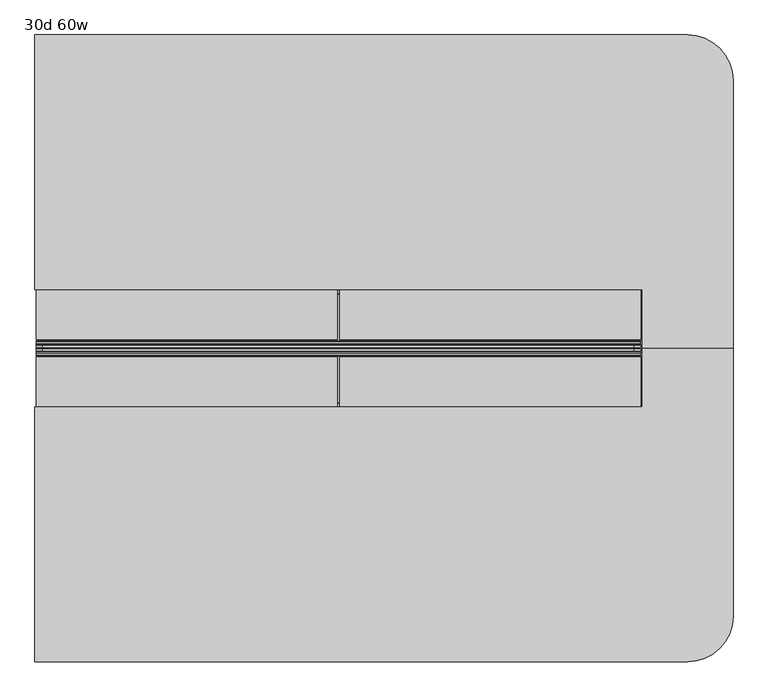
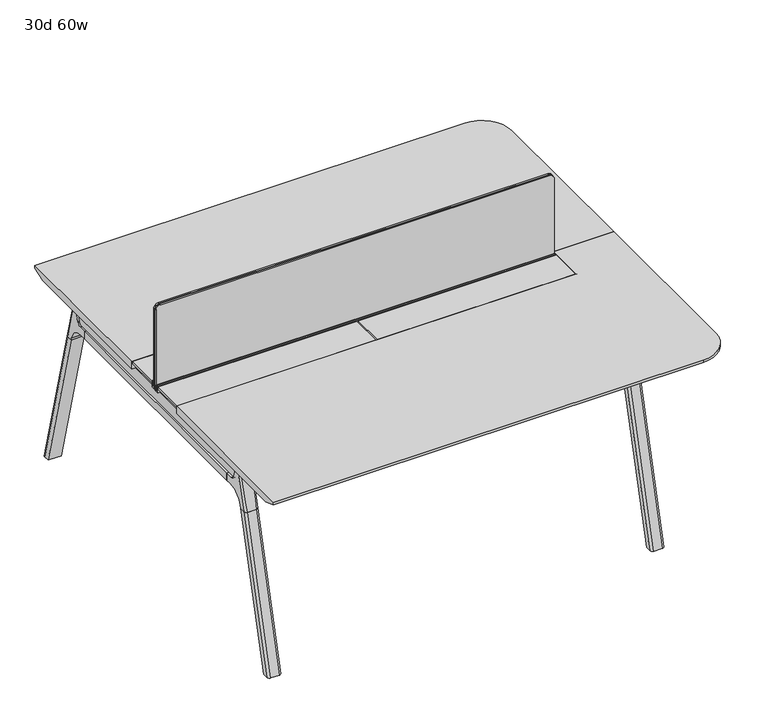
"""IFC4 building model written with IfcOpenShell, lengths in millimetres: furniture geometry, 30d 60w."""

from ifc_helpers import new_model, si_unit, point, frame, frame_2d, origin, place, context, project, spatial, polyline, circle_curve, ellipse_curve, trimmed, segment, composite_curve, outline, extrude, source, transform, mapped, element, save
from ifc_brep_helpers import plane_surface, cylinder_surface, revolved_surface, advanced_brep


def furniture_30d_60w_cb071300(model_context):
    return source(origin(), model_context, "Body", "SolidModel", [
        extrude(outline(polyline([(-18.0090763, 706.4375), (3.7767266, 706.4375), (3.7767266, 705.2310087), (-17.4495292, 705.2310087), (-19.0070753, 703.6734626), (-49.1186716, 567.0903512), (-50.5285062, 567.4011683), (-20.404074, 704.0425023), (-18.0090763, 706.4375)])), frame((-317.5, 0.0, 0.0), z_axis=(1.0, 0.0, 0.0), x_axis=(0.0, 1.0, 0.0)), (0.0, 0.0, 1.0), 31.8008024),
        extrude(outline(polyline([(-381.4978768, 706.4375), (-379.1028791, 704.0425023), (-348.9784469, 567.4011683), (-350.3882815, 567.0903512), (-380.4998778, 703.6734626), (-382.0574239, 705.2310087), (-403.2836797, 705.2310087), (-403.2836797, 706.4375), (-381.4978768, 706.4375)])), frame((-317.5, 0.0, 0.0), z_axis=(1.0, 0.0, 0.0), x_axis=(0.0, 1.0, 0.0)), (0.0, 0.0, 1.0), 31.8008024),
        extrude(outline(polyline([(-18.0090763, 706.4375), (3.7767266, 706.4375), (3.7767266, 705.2310087), (-17.4495292, 705.2310087), (-19.0070753, 703.6734626), (-49.1186716, 567.0903512), (-50.5285062, 567.4011683), (-20.404074, 704.0425023), (-18.0090763, 706.4375)])), frame((717.4991976, 0.0, 0.0), z_axis=(1.0, 0.0, 0.0), x_axis=(0.0, 1.0, 0.0)), (0.0, 0.0, 1.0), 31.8008024),
        extrude(outline(polyline([(-381.4978768, 706.4375), (-379.1028791, 704.0425023), (-348.9784469, 567.4011683), (-350.3882815, 567.0903512), (-380.4998778, 703.6734626), (-382.0574239, 705.2310087), (-403.2836797, 705.2310087), (-403.2836797, 706.4375), (-381.4978768, 706.4375)])), frame((717.4991976, 0.0, 0.0), z_axis=(1.0, 0.0, 0.0), x_axis=(0.0, 1.0, 0.0)), (0.0, 0.0, 1.0), 31.8008024),
        extrude(outline(polyline([(-353.550475, 565.5309966), (-351.518477, 567.5629947), (-350.957211, 567.0017287), (-352.756725, 565.2022146), (-352.756725, 557.3042827), (-352.5317745, 556.4647622), (-337.4390802, 530.3234395), (-336.0037101, 529.4947272), (-63.503243, 529.4947272), (-62.0678729, 530.3234395), (-46.9751786, 556.4647622), (-46.7502281, 557.3042827), (-46.7502281, 565.2022146), (-48.5497421, 567.0017287), (-47.9884761, 567.5629947), (-45.9564781, 565.5309966), (-45.9564781, 557.1997828), (-46.2355217, 556.1583856), (-61.4868074, 529.7423744), (-63.2905581, 528.7009772), (-336.216395, 528.7009772), (-338.0201457, 529.7423744), (-353.2714314, 556.1583856), (-353.550475, 557.1997828), (-353.550475, 565.5309966)])), frame((-317.4492037, 0.0, 0.0), z_axis=(1.0, 0.0, 0.0), x_axis=(0.0, 1.0, 0.0)), (0.0, 0.0, 1.0), 1066.7492037),
        extrude(outline(composite_curve([segment(polyline([(330.4715234, 711.2), (321.4134226, 677.3947076)]), True, "CONTINUOUS"), segment(trimmed(circle_curve(frame_2d((306.0793501, 681.5034599)), 15.875), [point((321.4134226, 677.3947076))], [point((306.0793501, 665.6284599))], False, "CARTESIAN"), True, "CONTINUOUS"), segment(polyline([(306.0793501, 665.6284599), (-705.5863033, 665.6284599)]), True, "CONTINUOUS"), segment(trimmed(circle_curve(frame_2d((-705.5863033, 681.5034599)), 15.875), [point((-705.5863033, 665.6284599))], [point((-720.9203758, 677.3947076))], False, "CARTESIAN"), True, "CONTINUOUS"), segment(polyline([(-720.9203758, 677.3947076), (-729.9784766, 711.2), (330.4715234, 711.2)]), True, "CONTINUOUS")], self_intersect=False)), frame((-533.4, 0.0, 0.0), z_axis=(1.0, 0.0, 0.0), x_axis=(0.0, 1.0, 0.0)), (0.0, 0.0, 1.0), 38.1),
        extrude(outline(polyline([(-488.95, 270.1465234), (-488.95, -669.6534766), (-539.75, -669.6534766), (-539.75, 270.1465234), (-488.95, 270.1465234)])), frame((0.0, 0.0, 635.6476591), z_axis=(0.0, 0.0, 1.0), x_axis=(1.0, 0.0, 0.0)), (0.0, 0.0, 1.0), 29.9808008),
        advanced_brep(
        [(-488.95, 324.1678522, 711.2), (-488.95, 315.1097514, 677.3947076), (-488.95, 299.7756789, 665.6284599), (-488.95, 270.1465234, 665.6284599), (-488.95, 270.1465234, 635.6476591), (-488.95, 293.0177557, 635.6476591), (-488.95, 357.4208601, 586.2294189), (-488.95, 359.9790723, 576.6820411), (-488.95, 381.0830422, 576.6820411), (-488.95, 345.6343986, 711.2), (-539.75, 359.9790723, 576.6820411), (-539.75, 357.4208601, 586.2294189), (-539.75, 293.0177557, 635.6476591), (-539.75, 270.1465234, 635.6476591), (-539.75, 270.1465234, 665.6284599), (-539.75, 299.7756789, 665.6284599), (-539.75, 315.1097514, 677.3947076), (-539.75, 324.1678522, 711.2), (-539.75, 345.6343986, 711.2), (-539.75, 381.0830422, 576.6820411), (-495.2138162, 354.8892431, 711.2), (-533.4861838, 354.8892431, 711.2), (-530.225, 390.9332216, 576.6820411), (-498.475, 390.9332216, 576.6820411)],
        [
            (0, 1),
            (1, 2, circle_curve(frame((-488.95, 299.7756789, 681.5034599), z_axis=(-1.0, 0.0, 0.0), x_axis=(0.0, 1.0, 0.0)), 15.875)),
            (2, 3),
            (3, 4),
            (4, 5),
            (5, 6, circle_curve(frame((-488.95, 293.0177557, 568.9726591), z_axis=(-1.0, 0.0, 0.0), x_axis=(0.0, 1.0, 0.0)), 66.675)),
            (6, 7),
            (7, 8),
            (8, 9),
            (9, 0),
            (10, 11),
            (11, 12, circle_curve(frame((-539.75, 293.0177557, 568.9726591), z_axis=(1.0, 0.0, 0.0), x_axis=(0.0, 1.0, 0.0)), 66.675)),
            (12, 13),
            (13, 14),
            (14, 15),
            (15, 16, circle_curve(frame((-539.75, 299.7756789, 681.5034599), z_axis=(1.0, 0.0, 0.0), x_axis=(0.0, 1.0, 0.0)), 15.875)),
            (16, 17),
            (17, 18),
            (18, 19),
            (19, 10),
            (17, 0),
            (9, 20, ellipse_curve(frame((-498.475, 345.6343986, 711.2), z_axis=(0.0, 0.0, 1.0), x_axis=(0.0, 1.0, 0.0)), 9.8501793, 9.525)),
            (20, 21),
            (21, 18, ellipse_curve(frame((-530.225, 345.6343986, 711.2), z_axis=(0.0, 0.0, 1.0), x_axis=(0.0, 1.0, 0.0)), 9.8501793, 9.525)),
            (16, 1),
            (15, 2),
            (14, 3),
            (13, 4),
            (12, 5),
            (11, 6),
            (10, 7),
            (19, 22, ellipse_curve(frame((-530.225, 381.0830422, 576.6820411), z_axis=(0.0, 0.0, -1.0), x_axis=(0.0, 1.0, 0.0)), 9.8501793, 9.525)),
            (22, 23),
            (23, 8, ellipse_curve(frame((-498.475, 381.0830422, 576.6820411), z_axis=(0.0, 0.0, -1.0), x_axis=(0.0, 1.0, 0.0)), 9.8501793, 9.525)),
            (20, 23, ellipse_curve(frame((-498.475, -205.4364925, 2802.3641142), z_axis=(0.0, 0.9659258262890684, 0.2588190451025206), x_axis=(0.0, 0.2588190451025206, -0.9659258262890684)), 2304.1956354, 9.525)),
            (22, 21, ellipse_curve(frame((-530.225, -205.4364925, 2802.3641142), z_axis=(0.0, 0.9659258262890684, 0.2588190451025206), x_axis=(0.0, 0.2588190451025206, -0.9659258262890684)), 2304.1956354, 9.525)),
        ],
        [
            plane_surface(frame((-488.95, 354.8892431, 711.2), z_axis=(1.0, 0.0, 0.0), x_axis=(0.0, -1.0, 0.0))),
            plane_surface(frame((-539.75, 354.8892431, 711.2), z_axis=(-1.0, 0.0, 0.0), x_axis=(0.0, 1.0, 0.0))),
            plane_surface(frame((-488.95, 354.8892431, 711.2), z_axis=(0.0, 0.0, 1.0), x_axis=(-1.0, 0.0, 0.0))),
            plane_surface(frame((-488.95, 324.1678522, 711.2), z_axis=(0.0, -0.9659258262890683, 0.2588190451025207), x_axis=(-1.0, 0.0, 0.0))),
            revolved_surface(polyline([(-539.75, 315.6506789, 681.5034599), (-488.95, 315.6506789, 681.5034599)]), (-539.75, 299.7756789, 681.5034599), (-1.0, 0.0, 0.0)),
            plane_surface(frame((-488.95, 299.7756789, 665.6284599), z_axis=(0.0, 0.0, 1.0), x_axis=(-1.0, 0.0, 0.0))),
            plane_surface(frame((-488.95, 270.1465234, 665.6284599), z_axis=(0.0, -1.0, 0.0), x_axis=(-1.0, 0.0, 0.0))),
            plane_surface(frame((-488.95, 270.1465234, 635.6476591), z_axis=(0.0, 0.0, -1.0), x_axis=(-1.0, 0.0, 0.0))),
            revolved_surface(polyline([(-539.75, 359.6927557, 568.9726591), (-488.95, 359.6927557, 568.9726591)]), (-539.75, 293.0177557, 568.9726591), (-1.0, 0.0, 0.0)),
            plane_surface(frame((-488.95, 357.4208601, 586.2294189), z_axis=(0.0, -0.9659258262890693, -0.25881904510251696), x_axis=(-1.0, 0.0, 0.0))),
            plane_surface(frame((-488.95, 359.9790723, 576.6820411), z_axis=(0.0, 0.0, -1.0), x_axis=(-1.0, 0.0, 0.0))),
            plane_surface(frame((-488.95, 390.9332216, 576.6820411), z_axis=(0.0, 0.9659258262890684, 0.2588190451025206), x_axis=(-1.0, 0.0, 0.0))),
            cylinder_surface(frame((-498.475, 533.6919371, -2.4271979), z_axis=(0.0, 0.25482392474081483, -0.966987470125486), x_axis=(-1.0, 0.0, 0.0)), 9.525),
            cylinder_surface(frame((-530.225, 533.6919371, -2.4271979), z_axis=(0.0, 0.25482392474081483, -0.966987470125486), x_axis=(-1.0, 0.0, 0.0)), 9.525),
        ],
        [
            (0, [[1, 2, 3, 4, 5, 6, 7, 8, 9, 10]]),
            (1, [[11, 12, 13, 14, 15, 16, 17, 18, 19, 20]]),
            (2, [[21, -10, 22, 23, 24, -18]]),
            (3, [[-1, -21, -17, 25]]),
            (4, [[-2, -25, -16, 26]]),
            (5, [[-3, -26, -15, 27]]),
            (6, [[-4, -27, -14, 28]]),
            (7, [[-5, -28, -13, 29]]),
            (8, [[-6, -29, -12, 30]]),
            (9, [[-7, -30, -11, 31]]),
            (10, [[-31, -20, 32, 33, 34, -8]]),
            (11, [[-23, 35, -33, 36]]),
            (12, [[-9, -34, -35, -22]]),
            (13, [[-19, -24, -36, -32]]),
        ],
    ),
        advanced_brep(
        [(-488.95, 359.9790723, 576.6820411), (-488.95, 511.9483435, 0.0), (-488.95, 533.0523134, 0.0), (-488.95, 381.0830422, 576.6820411), (-539.75, 511.9483435, 0.0), (-539.75, 359.9790723, 576.6820411), (-539.75, 381.0830422, 576.6820411), (-539.75, 533.0523134, 0.0), (-498.475, 390.9332216, 576.6820411), (-530.225, 390.9332216, 576.6820411), (-530.225, 542.9024927, 0.0), (-498.475, 542.9024927, 0.0)],
        [
            (0, 1),
            (1, 2),
            (2, 3),
            (3, 0),
            (4, 5),
            (5, 6),
            (6, 7),
            (7, 4),
            (5, 0),
            (3, 8, ellipse_curve(frame((-498.475, 381.0830422, 576.6820411), z_axis=(0.0, 0.0, 1.0), x_axis=(0.0, 1.0, 0.0)), 9.8501793, 9.525)),
            (8, 9),
            (9, 6, ellipse_curve(frame((-530.225, 381.0830422, 576.6820411), z_axis=(0.0, 0.0, 1.0), x_axis=(0.0, 1.0, 0.0)), 9.8501793, 9.525)),
            (4, 1),
            (7, 10, ellipse_curve(frame((-530.225, 533.0523134, 0.0), z_axis=(0.0, 0.0, -1.0), x_axis=(0.0, 1.0, 0.0)), 9.8501793, 9.525)),
            (10, 11),
            (11, 2, ellipse_curve(frame((-498.475, 533.0523134, 0.0), z_axis=(0.0, 0.0, -1.0), x_axis=(0.0, 1.0, 0.0)), 9.8501793, 9.525)),
            (8, 11),
            (10, 9),
        ],
        [
            plane_surface(frame((-488.95, 390.9332216, 576.6820411), z_axis=(1.0, 0.0, 0.0), x_axis=(0.0, -1.0, 0.0))),
            plane_surface(frame((-539.75, 390.9332216, 576.6820411), z_axis=(-1.0, 0.0, 0.0), x_axis=(0.0, 1.0, 0.0))),
            plane_surface(frame((-488.95, 390.9332216, 576.6820411), z_axis=(0.0, 0.0, 1.0), x_axis=(-1.0, 0.0, 0.0))),
            plane_surface(frame((-488.95, 359.9790723, 576.6820411), z_axis=(0.0, -0.9669874701254844, -0.2548239247408208), x_axis=(-1.0, 0.0, 0.0))),
            plane_surface(frame((-488.95, 511.9483435, 0.0), z_axis=(0.0, 0.0, -1.0), x_axis=(-1.0, 0.0, 0.0))),
            plane_surface(frame((-488.95, 542.9024927, 0.0), z_axis=(0.0, 0.9669874701254855, 0.2548239247408166), x_axis=(-1.0, 0.0, 0.0))),
            cylinder_surface(frame((-498.475, 533.6919371, -2.4271979), z_axis=(0.0, 0.25482392474081483, -0.966987470125486), x_axis=(-1.0, 0.0, 0.0)), 9.525),
            cylinder_surface(frame((-530.225, 533.6919371, -2.4271979), z_axis=(0.0, 0.25482392474081483, -0.966987470125486), x_axis=(-1.0, 0.0, 0.0)), 9.525),
        ],
        [
            (0, [[1, 2, 3, 4]]),
            (1, [[5, 6, 7, 8]]),
            (2, [[9, -4, 10, 11, 12, -6]]),
            (3, [[-1, -9, -5, 13]]),
            (4, [[-13, -8, 14, 15, 16, -2]]),
            (5, [[-11, 17, -15, 18]]),
            (6, [[-3, -16, -17, -10]]),
            (7, [[-7, -12, -18, -14]]),
        ],
    ),
        advanced_brep(
        [(-539.75, -723.6748053, 711.2), (-539.75, -714.6167045, 677.3947076), (-539.75, -699.282632, 665.6284599), (-539.75, -669.6534766, 665.6284599), (-539.75, -669.6534766, 635.6476591), (-539.75, -692.5247088, 635.6476591), (-539.75, -756.9278133, 586.2294189), (-539.75, -759.4860254, 576.6820411), (-539.75, -780.5899953, 576.6820411), (-539.75, -745.1413517, 711.2), (-488.95, -759.4860254, 576.6820411), (-488.95, -756.9278133, 586.2294189), (-488.95, -692.5247088, 635.6476591), (-488.95, -669.6534766, 635.6476591), (-488.95, -669.6534766, 665.6284599), (-488.95, -699.282632, 665.6284599), (-488.95, -714.6167045, 677.3947076), (-488.95, -723.6748053, 711.2), (-488.95, -745.1413517, 711.2), (-488.95, -780.5899953, 576.6820411), (-533.4861838, -754.3961962, 711.2), (-495.2138162, -754.3961962, 711.2), (-498.475, -790.4401747, 576.6820411), (-530.225, -790.4401747, 576.6820411)],
        [
            (0, 1),
            (1, 2, circle_curve(frame((-539.75, -699.282632, 681.5034599), z_axis=(1.0, 0.0, 0.0), x_axis=(0.0, -1.0, 0.0)), 15.875)),
            (2, 3),
            (3, 4),
            (4, 5),
            (5, 6, circle_curve(frame((-539.75, -692.5247088, 568.9726591), z_axis=(1.0, 0.0, 0.0), x_axis=(0.0, -1.0, 0.0)), 66.675)),
            (6, 7),
            (7, 8),
            (8, 9),
            (9, 0),
            (10, 11),
            (11, 12, circle_curve(frame((-488.95, -692.5247088, 568.9726591), z_axis=(-1.0, 0.0, 0.0), x_axis=(0.0, -1.0, 0.0)), 66.675)),
            (12, 13),
            (13, 14),
            (14, 15),
            (15, 16, circle_curve(frame((-488.95, -699.282632, 681.5034599), z_axis=(-1.0, 0.0, 0.0), x_axis=(0.0, -1.0, 0.0)), 15.875)),
            (16, 17),
            (17, 18),
            (18, 19),
            (19, 10),
            (17, 0),
            (9, 20, ellipse_curve(frame((-530.225, -745.1413517, 711.2), z_axis=(0.0, 0.0, 1.0), x_axis=(0.0, -1.0, 0.0)), 9.8501793, 9.525)),
            (20, 21),
            (21, 18, ellipse_curve(frame((-498.475, -745.1413517, 711.2), z_axis=(0.0, 0.0, 1.0), x_axis=(0.0, -1.0, 0.0)), 9.8501793, 9.525)),
            (16, 1),
            (15, 2),
            (14, 3),
            (13, 4),
            (12, 5),
            (11, 6),
            (10, 7),
            (19, 22, ellipse_curve(frame((-498.475, -780.5899953, 576.6820411), z_axis=(0.0, 0.0, -1.0), x_axis=(0.0, -1.0, 0.0)), 9.8501793, 9.525)),
            (22, 23),
            (23, 8, ellipse_curve(frame((-530.225, -780.5899953, 576.6820411), z_axis=(0.0, 0.0, -1.0), x_axis=(0.0, -1.0, 0.0)), 9.8501793, 9.525)),
            (20, 23, ellipse_curve(frame((-530.225, -194.0704606, 2802.3641142), z_axis=(0.0, -0.9659258262890684, 0.2588190451025206), x_axis=(0.0, -0.2588190451025206, -0.9659258262890684)), 2304.1956354, 9.525)),
            (22, 21, ellipse_curve(frame((-498.475, -194.0704606, 2802.3641142), z_axis=(0.0, -0.9659258262890684, 0.2588190451025206), x_axis=(0.0, -0.2588190451025206, -0.9659258262890684)), 2304.1956354, 9.525)),
        ],
        [
            plane_surface(frame((-539.75, -754.3961962, 711.2), z_axis=(-1.0, 0.0, 0.0), x_axis=(0.0, 1.0, 0.0))),
            plane_surface(frame((-488.95, -754.3961962, 711.2), z_axis=(1.0, 0.0, 0.0), x_axis=(0.0, -1.0, 0.0))),
            plane_surface(frame((-539.75, -754.3961962, 711.2), z_axis=(0.0, 0.0, 1.0), x_axis=(1.0, 0.0, 0.0))),
            plane_surface(frame((-539.75, -723.6748053, 711.2), z_axis=(0.0, 0.9659258262890683, 0.2588190451025207), x_axis=(1.0, 0.0, 0.0))),
            revolved_surface(polyline([(-488.95, -715.157632, 681.5034599), (-539.75, -715.157632, 681.5034599)]), (-488.95, -699.282632, 681.5034599), (1.0, 0.0, 0.0)),
            plane_surface(frame((-539.75, -699.282632, 665.6284599), z_axis=(0.0, 0.0, 1.0), x_axis=(1.0, 0.0, 0.0))),
            plane_surface(frame((-539.75, -669.6534766, 665.6284599), z_axis=(0.0, 1.0, 0.0), x_axis=(1.0, 0.0, 0.0))),
            plane_surface(frame((-539.75, -669.6534766, 635.6476591), z_axis=(0.0, 0.0, -1.0), x_axis=(1.0, 0.0, 0.0))),
            revolved_surface(polyline([(-488.95, -759.1997087999999, 568.9726591), (-539.75, -759.1997087999999, 568.9726591)]), (-488.95, -692.5247088, 568.9726591), (1.0, 0.0, 0.0)),
            plane_surface(frame((-539.75, -756.9278133, 586.2294189), z_axis=(0.0, 0.9659258262890693, -0.25881904510251696), x_axis=(1.0, 0.0, 0.0))),
            plane_surface(frame((-539.75, -759.4860254, 576.6820411), z_axis=(0.0, 0.0, -1.0), x_axis=(1.0, 0.0, 0.0))),
            plane_surface(frame((-539.75, -790.4401747, 576.6820411), z_axis=(0.0, -0.9659258262890684, 0.2588190451025206), x_axis=(1.0, 0.0, 0.0))),
            cylinder_surface(frame((-530.225, -933.1988902, -2.4271979), z_axis=(0.0, -0.25482392474081483, -0.966987470125486), x_axis=(1.0, 0.0, 0.0)), 9.525),
            cylinder_surface(frame((-498.475, -933.1988902, -2.4271979), z_axis=(0.0, -0.25482392474081483, -0.966987470125486), x_axis=(1.0, 0.0, 0.0)), 9.525),
        ],
        [
            (0, [[1, 2, 3, 4, 5, 6, 7, 8, 9, 10]]),
            (1, [[11, 12, 13, 14, 15, 16, 17, 18, 19, 20]]),
            (2, [[21, -10, 22, 23, 24, -18]]),
            (3, [[-1, -21, -17, 25]]),
            (4, [[-2, -25, -16, 26]]),
            (5, [[-3, -26, -15, 27]]),
            (6, [[-4, -27, -14, 28]]),
            (7, [[-5, -28, -13, 29]]),
            (8, [[-6, -29, -12, 30]]),
            (9, [[-7, -30, -11, 31]]),
            (10, [[-31, -20, 32, 33, 34, -8]]),
            (11, [[-23, 35, -33, 36]]),
            (12, [[-9, -34, -35, -22]]),
            (13, [[-19, -24, -36, -32]]),
        ],
    ),
        advanced_brep(
        [(-539.75, -759.4860254, 576.6820411), (-539.75, -911.4552966, 0.0), (-539.75, -932.5592665, 0.0), (-539.75, -780.5899953, 576.6820411), (-488.95, -911.4552966, 0.0), (-488.95, -759.4860254, 576.6820411), (-488.95, -780.5899953, 576.6820411), (-488.95, -932.5592665, 0.0), (-530.225, -790.4401747, 576.6820411), (-498.475, -790.4401747, 576.6820411), (-498.475, -942.4094458, 0.0), (-530.225, -942.4094458, 0.0)],
        [
            (0, 1),
            (1, 2),
            (2, 3),
            (3, 0),
            (4, 5),
            (5, 6),
            (6, 7),
            (7, 4),
            (5, 0),
            (3, 8, ellipse_curve(frame((-530.225, -780.5899953, 576.6820411), z_axis=(0.0, 0.0, 1.0), x_axis=(0.0, -1.0, 0.0)), 9.8501793, 9.525)),
            (8, 9),
            (9, 6, ellipse_curve(frame((-498.475, -780.5899953, 576.6820411), z_axis=(0.0, 0.0, 1.0), x_axis=(0.0, -1.0, 0.0)), 9.8501793, 9.525)),
            (4, 1),
            (7, 10, ellipse_curve(frame((-498.475, -932.5592665, 0.0), z_axis=(0.0, 0.0, -1.0), x_axis=(0.0, -1.0, 0.0)), 9.8501793, 9.525)),
            (10, 11),
            (11, 2, ellipse_curve(frame((-530.225, -932.5592665, 0.0), z_axis=(0.0, 0.0, -1.0), x_axis=(0.0, -1.0, 0.0)), 9.8501793, 9.525)),
            (8, 11),
            (10, 9),
        ],
        [
            plane_surface(frame((-539.75, -790.4401747, 576.6820411), z_axis=(-1.0, 0.0, 0.0), x_axis=(0.0, 1.0, 0.0))),
            plane_surface(frame((-488.95, -790.4401747, 576.6820411), z_axis=(1.0, 0.0, 0.0), x_axis=(0.0, -1.0, 0.0))),
            plane_surface(frame((-539.75, -790.4401747, 576.6820411), z_axis=(0.0, 0.0, 1.0), x_axis=(1.0, 0.0, 0.0))),
            plane_surface(frame((-539.75, -759.4860254, 576.6820411), z_axis=(0.0, 0.9669874701254844, -0.2548239247408208), x_axis=(1.0, 0.0, 0.0))),
            plane_surface(frame((-539.75, -911.4552966, 0.0), z_axis=(0.0, 0.0, -1.0), x_axis=(1.0, 0.0, 0.0))),
            plane_surface(frame((-539.75, -942.4094458, 0.0), z_axis=(0.0, -0.9669874701254855, 0.2548239247408166), x_axis=(1.0, 0.0, 0.0))),
            cylinder_surface(frame((-530.225, -933.1988902, -2.4271979), z_axis=(0.0, -0.25482392474081483, -0.966987470125486), x_axis=(1.0, 0.0, 0.0)), 9.525),
            cylinder_surface(frame((-498.475, -933.1988902, -2.4271979), z_axis=(0.0, -0.25482392474081483, -0.966987470125486), x_axis=(1.0, 0.0, 0.0)), 9.525),
        ],
        [
            (0, [[1, 2, 3, 4]]),
            (1, [[5, 6, 7, 8]]),
            (2, [[9, -4, 10, 11, 12, -6]]),
            (3, [[-1, -9, -5, 13]]),
            (4, [[-13, -8, 14, 15, 16, -2]]),
            (5, [[-11, 17, -15, 18]]),
            (6, [[-3, -16, -17, -10]]),
            (7, [[-7, -12, -18, -14]]),
        ],
    ),
        advanced_brep(
        [(977.9, -347.3909766, 741.3625), (-546.1, -347.3909766, 741.3625), (-546.1, -987.1534766, 741.3625), (1092.2, -987.1534766, 741.3625), (1206.5, -872.8534766, 741.3625), (1206.5, -199.7534766, 741.3625), (977.9, -199.7534766, 741.3625), (977.9, -347.3909766, 711.2), (977.9, -199.7534766, 711.2), (1155.7, -199.7534766, 711.2), (1155.7, -872.8534766, 711.2), (1092.2, -936.3534766, 711.2), (-546.1, -936.3534766, 711.2), (-546.1, -347.3909766, 711.2), (-546.1, -987.1534766, 731.8375), (1092.2, -987.1534766, 731.8375), (1206.5, -872.8534766, 731.8375), (1206.5, -199.7534766, 731.8375)],
        [
            (0, 1),
            (1, 2),
            (2, 3),
            (3, 4, circle_curve(frame((1092.2, -872.8534766, 741.3625), z_axis=(0.0, 0.0, 1.0), x_axis=(1.0, 0.0, 0.0)), 114.3)),
            (4, 5),
            (5, 6),
            (6, 0),
            (7, 8),
            (8, 9),
            (9, 10),
            (10, 11, circle_curve(frame((1092.2, -872.8534766, 711.2), z_axis=(0.0, 0.0, -1.0), x_axis=(0.0, -1.0, 0.0)), 63.5)),
            (11, 12),
            (12, 13),
            (13, 7),
            (0, 7),
            (13, 1),
            (12, 14),
            (14, 2),
            (14, 15),
            (15, 3),
            (4, 16),
            (16, 17),
            (17, 5),
            (15, 16, circle_curve(frame((1092.2, -872.8534766, 731.8375), z_axis=(0.0, 0.0, 1.0), x_axis=(1.0, 0.0, 0.0)), 114.3)),
            (17, 9),
            (8, 6),
            (11, 15),
            (10, 16),
        ],
        [
            plane_surface(frame((-546.1, -347.3909766, 741.3625), z_axis=(0.0, 0.0, 1.0), x_axis=(-1.0, 0.0, 0.0))),
            plane_surface(frame((-546.1, -347.3909766, 711.2), z_axis=(0.0, 0.0, -1.0), x_axis=(1.0, 0.0, 0.0))),
            plane_surface(frame((977.9, -347.3909766, 741.3625), z_axis=(0.0, 1.0, 0.0), x_axis=(0.0, 0.0, -1.0))),
            plane_surface(frame((-546.1, -347.3909766, 741.3625), z_axis=(-1.0, 0.0, 0.0), x_axis=(0.0, 0.0, -1.0))),
            plane_surface(frame((-546.1, -987.1534766, 741.3625), z_axis=(0.0, -1.0, 0.0), x_axis=(0.0, 0.0, -1.0))),
            plane_surface(frame((1206.5, -872.8534766, 741.3625), z_axis=(1.0, 0.0, 0.0), x_axis=(0.0, 0.0, -1.0))),
            cylinder_surface(frame((1092.2, -872.8534766, 711.2), z_axis=(0.0, 0.0, 1.0), x_axis=(1.0, 0.0, 0.0)), 114.3),
            plane_surface(frame((1206.5, -199.7534766, 741.3625), z_axis=(0.0, 1.0, 0.0), x_axis=(0.0, 0.0, -1.0))),
            plane_surface(frame((977.9, -199.7534766, 741.3625), z_axis=(-1.0, 0.0, 0.0), x_axis=(0.0, 0.0, -1.0))),
            plane_surface(frame((-546.1, -987.1534766, 731.8375), z_axis=(0.0, -0.3763770469570871, -0.9264665771218423), x_axis=(1.0, 0.0, 0.0))),
            revolved_surface(polyline([(1092.2, -936.3534766, 711.2), (1092.2, -987.1534766, 731.8375)]), (1092.2, -872.8534766, 711.2), (0.0, 0.0, 1.0)),
            plane_surface(frame((1206.5, -872.8534766, 731.8375), z_axis=(0.3763770469570871, 0.0, -0.9264665771218423), x_axis=(0.0, 1.0, 0.0))),
        ],
        [
            (0, [[1, 2, 3, 4, 5, 6, 7]]),
            (1, [[8, 9, 10, 11, 12, 13, 14]]),
            (2, [[-1, 15, -14, 16]]),
            (3, [[-2, -16, -13, 17, 18]]),
            (4, [[-3, -18, 19, 20]]),
            (5, [[-5, 21, 22, 23]]),
            (6, [[-4, -20, 24, -21]]),
            (7, [[-6, -23, 25, -9, 26]]),
            (8, [[-7, -26, -8, -15]]),
            (9, [[27, -19, -17, -12]]),
            (10, [[-27, -11, 28, -24]]),
            (11, [[-28, -10, -25, -22]]),
        ],
    ),
        advanced_brep(
        [(977.9, -52.1159766, 741.3625), (977.9, -199.7534766, 741.3625), (1206.5, -199.7534766, 741.3625), (1206.5, 473.3465234, 741.3625), (1092.2, 587.6465234, 741.3625), (-546.1, 587.6465234, 741.3625), (-546.1, -52.1159766, 741.3625), (977.9, -52.1159766, 711.2), (-546.1, -52.1159766, 711.2), (-546.1, 536.8465234, 711.2), (1092.2, 536.8465234, 711.2), (1155.7, 473.3465234, 711.2), (1155.7, -199.7534766, 711.2), (977.9, -199.7534766, 711.2), (-546.1, 587.6465234, 731.8375), (1092.2, 587.6465234, 731.8375), (1206.5, -199.7534766, 731.8375), (1206.5, 473.3465234, 731.8375)],
        [
            (0, 1),
            (1, 2),
            (2, 3),
            (3, 4, circle_curve(frame((1092.2, 473.3465234, 741.3625), z_axis=(0.0, 0.0, 1.0), x_axis=(1.0, 0.0, 0.0)), 114.3)),
            (4, 5),
            (5, 6),
            (6, 0),
            (7, 8),
            (8, 9),
            (9, 10),
            (10, 11, circle_curve(frame((1092.2, 473.3465234, 711.2), z_axis=(0.0, 0.0, -1.0), x_axis=(0.0, 1.0, 0.0)), 63.5)),
            (11, 12),
            (12, 13),
            (13, 7),
            (6, 8),
            (7, 0),
            (5, 14),
            (14, 9),
            (4, 15),
            (15, 14),
            (2, 16),
            (16, 17),
            (17, 3),
            (17, 15, circle_curve(frame((1092.2, 473.3465234, 731.8375), z_axis=(0.0, 0.0, 1.0), x_axis=(1.0, 0.0, 0.0)), 114.3)),
            (1, 13),
            (12, 16),
            (15, 10),
            (17, 11),
        ],
        [
            plane_surface(frame((-546.1, -52.1159766, 741.3625), z_axis=(0.0, 0.0, 1.0), x_axis=(-1.0, 0.0, 0.0))),
            plane_surface(frame((-546.1, -52.1159766, 711.2), z_axis=(0.0, 0.0, -1.0), x_axis=(1.0, 0.0, 0.0))),
            plane_surface(frame((977.9, -52.1159766, 741.3625), z_axis=(0.0, -1.0, 0.0), x_axis=(0.0, 0.0, -1.0))),
            plane_surface(frame((-546.1, -52.1159766, 741.3625), z_axis=(-1.0, 0.0, 0.0), x_axis=(0.0, 0.0, -1.0))),
            plane_surface(frame((-546.1, 587.6465234, 741.3625), z_axis=(0.0, 1.0, 0.0), x_axis=(0.0, 0.0, -1.0))),
            plane_surface(frame((1206.5, 473.3465234, 741.3625), z_axis=(1.0, 0.0, 0.0), x_axis=(0.0, 0.0, -1.0))),
            cylinder_surface(frame((1092.2, 473.3465234, 711.2), z_axis=(0.0, 0.0, 1.0), x_axis=(1.0, 0.0, 0.0)), 114.3),
            plane_surface(frame((1206.5, -199.7534766, 741.3625), z_axis=(0.0, -1.0, 0.0), x_axis=(0.0, 0.0, -1.0))),
            plane_surface(frame((977.9, -199.7534766, 741.3625), z_axis=(-1.0, 0.0, 0.0), x_axis=(0.0, 0.0, -1.0))),
            plane_surface(frame((-546.1, 587.6465234, 731.8375), z_axis=(0.0, 0.3763770469570871, -0.9264665771218423), x_axis=(1.0, 0.0, 0.0))),
            revolved_surface(polyline([(1092.2, 536.8465234, 711.2), (1092.2, 587.6465234, 731.8375)]), (1092.2, 473.3465234, 711.2), (0.0, 0.0, 1.0)),
            plane_surface(frame((1206.5, 473.3465234, 731.8375), z_axis=(0.3763770469570871, 0.0, -0.9264665771218423), x_axis=(0.0, -1.0, 0.0))),
        ],
        [
            (0, [[1, 2, 3, 4, 5, 6, 7]]),
            (1, [[8, 9, 10, 11, 12, 13, 14]]),
            (2, [[15, -8, 16, -7]]),
            (3, [[17, 18, -9, -15, -6]]),
            (4, [[19, 20, -17, -5]]),
            (5, [[21, 22, 23, -3]]),
            (6, [[-23, 24, -19, -4]]),
            (7, [[25, -13, 26, -21, -2]]),
            (8, [[-16, -14, -25, -1]]),
            (9, [[-10, -18, -20, 27]]),
            (10, [[-24, 28, -11, -27]]),
            (11, [[-22, -26, -12, -28]]),
        ],
    ),
        extrude(outline(polyline([(-218.8034766, 715.9625), (-218.8034766, 741.3625), (-217.2159766, 741.3625), (-217.2159766, 720.725), (-210.8659766, 720.725), (-210.8659766, 741.3625), (-209.2784766, 741.3625), (-209.2784766, 717.55), (-190.2284766, 717.55), (-190.2284766, 741.3625), (-188.6409766, 741.3625), (-188.6409766, 720.725), (-182.2909766, 720.725), (-182.2909766, 741.3625), (-180.7034766, 741.3625), (-180.7034766, 715.9625), (-218.8034766, 715.9625)])), frame((-542.925, 0.0, 0.0), z_axis=(1.0, 0.0, 0.0), x_axis=(0.0, 1.0, 0.0)), (0.0, 0.0, 1.0), 1517.65),
        extrude(outline(polyline([(212.725, -52.1159766), (212.725, -177.5284766), (-542.925, -177.5284766), (-542.925, -52.1159766), (212.725, -52.1159766)])), frame((0.0, 0.0, 731.8375), z_axis=(0.0, 0.0, 1.0), x_axis=(1.0, 0.0, 0.0)), (0.0, 0.0, 1.0), 9.525),
        extrude(outline(polyline([(212.725, -221.9784766), (212.725, -347.3909766), (-542.925, -347.3909766), (-542.925, -221.9784766), (212.725, -221.9784766)])), frame((0.0, 0.0, 731.8375), z_axis=(0.0, 0.0, 1.0), x_axis=(1.0, 0.0, 0.0)), (0.0, 0.0, 1.0), 9.525),
        extrude(outline(polyline([(974.725, -52.1159766), (974.725, -177.5284766), (219.075, -177.5284766), (219.075, -52.1159766), (974.725, -52.1159766)])), frame((0.0, 0.0, 731.8375), z_axis=(0.0, 0.0, 1.0), x_axis=(1.0, 0.0, 0.0)), (0.0, 0.0, 1.0), 9.525),
        extrude(outline(polyline([(974.725, -221.9784766), (974.725, -347.3909766), (219.075, -347.3909766), (219.075, -221.9784766), (974.725, -221.9784766)])), frame((0.0, 0.0, 731.8375), z_axis=(0.0, 0.0, 1.0), x_axis=(1.0, 0.0, 0.0)), (0.0, 0.0, 1.0), 9.525),
        extrude(outline(polyline([(768.35, 9.7965234), (768.35, -21.9534766), (-336.55, -21.9534766), (-336.55, 9.7965234), (768.35, 9.7965234)])), frame((0.0, 0.0, 646.1125), z_axis=(0.0, 0.0, 1.0), x_axis=(1.0, 0.0, 0.0)), (0.0, 0.0, 1.0), 50.8),
        extrude(outline(polyline([(768.35, -377.5534766), (768.35, -409.3034766), (-336.55, -409.3034766), (-336.55, -377.5534766), (768.35, -377.5534766)])), frame((0.0, 0.0, 646.1125), z_axis=(0.0, 0.0, 1.0), x_axis=(1.0, 0.0, 0.0)), (0.0, 0.0, 1.0), 50.8),
        extrude(outline(composite_curve([segment(polyline([(1054.89375, 955.675), (1054.89375, -523.875)]), True, "CONTINUOUS"), segment(trimmed(circle_curve(frame_2d((1039.01875, -523.875)), 15.875), [point((1054.89375, -523.875))], [point((1039.01875, -539.75))], False, "CARTESIAN"), True, "CONTINUOUS"), segment(polyline([(1039.01875, -539.75), (720.725, -539.75), (720.725, 971.55), (1039.01875, 971.55)]), True, "CONTINUOUS"), segment(trimmed(circle_curve(frame_2d((1039.01875, 955.675)), 15.875), [point((1039.01875, 971.55))], [point((1054.89375, 955.675))], False, "CARTESIAN"), True, "CONTINUOUS")], self_intersect=False)), frame((0.0, -201.3409766, 0.0), z_axis=(0.0, 1.0, 0.0), x_axis=(0.0, 0.0, 1.0)), (0.0, 0.0, 1.0), 3.175),
        extrude(outline(composite_curve([segment(polyline([(1058.06875, 958.85), (1058.06875, -527.05)]), True, "CONTINUOUS"), segment(trimmed(circle_curve(frame_2d((1042.19375, -527.05)), 15.875), [point((1058.06875, -527.05))], [point((1042.19375, -542.925))], False, "CARTESIAN"), True, "CONTINUOUS"), segment(polyline([(1042.19375, -542.925), (717.55, -542.925), (717.55, 974.725), (1042.19375, 974.725)]), True, "CONTINUOUS"), segment(trimmed(circle_curve(frame_2d((1042.19375, 958.85)), 15.875), [point((1042.19375, 974.725))], [point((1058.06875, 958.85))], False, "CARTESIAN"), True, "CONTINUOUS")], self_intersect=False)), frame((0.0, -198.1659766, 0.0), z_axis=(0.0, 1.0, 0.0), x_axis=(0.0, 0.0, 1.0)), (0.0, 0.0, 1.0), 5.55625),
        extrude(outline(composite_curve([segment(polyline([(1058.06875, 958.85), (1058.06875, -527.05)]), True, "CONTINUOUS"), segment(trimmed(circle_curve(frame_2d((1042.19375, -527.05)), 15.875), [point((1058.06875, -527.05))], [point((1042.19375, -542.925))], False, "CARTESIAN"), True, "CONTINUOUS"), segment(polyline([(1042.19375, -542.925), (717.55, -542.925), (717.55, 974.725), (1042.19375, 974.725)]), True, "CONTINUOUS"), segment(trimmed(circle_curve(frame_2d((1042.19375, 958.85)), 15.875), [point((1042.19375, 974.725))], [point((1058.06875, 958.85))], False, "CARTESIAN"), True, "CONTINUOUS")], self_intersect=False)), frame((0.0, -206.8972266, 0.0), z_axis=(0.0, 1.0, 0.0), x_axis=(0.0, 0.0, 1.0)), (0.0, 0.0, 1.0), 5.55625),
        extrude(outline(composite_curve([segment(polyline([(330.4715234, 711.2), (321.4134226, 677.3947076)]), True, "CONTINUOUS"), segment(trimmed(circle_curve(frame_2d((306.0793501, 681.5034599)), 15.875), [point((321.4134226, 677.3947076))], [point((306.0793501, 665.6284599))], False, "CARTESIAN"), True, "CONTINUOUS"), segment(polyline([(306.0793501, 665.6284599), (-705.5863033, 665.6284599)]), True, "CONTINUOUS"), segment(trimmed(circle_curve(frame_2d((-705.5863033, 681.5034599)), 15.875), [point((-705.5863033, 665.6284599))], [point((-720.9203758, 677.3947076))], False, "CARTESIAN"), True, "CONTINUOUS"), segment(polyline([(-720.9203758, 677.3947076), (-729.9784766, 711.2), (330.4715234, 711.2)]), True, "CONTINUOUS")], self_intersect=False)), frame((927.1, 0.0, 0.0), z_axis=(1.0, 0.0, 0.0), x_axis=(0.0, 1.0, 0.0)), (0.0, 0.0, 1.0), 38.1),
        extrude(outline(polyline([(971.55, 270.1465234), (971.55, -669.6534766), (920.75, -669.6534766), (920.75, 270.1465234), (971.55, 270.1465234)])), frame((0.0, 0.0, 635.6476591), z_axis=(0.0, 0.0, 1.0), x_axis=(1.0, 0.0, 0.0)), (0.0, 0.0, 1.0), 29.9808008),
        advanced_brep(
        [(920.75, -723.6748053, 711.2), (920.75, -714.6167045, 677.3947076), (920.75, -699.282632, 665.6284599), (920.75, -669.6534766, 665.6284599), (920.75, -669.6534766, 635.6476591), (920.75, -692.5247088, 635.6476591), (920.75, -756.9278133, 586.2294189), (920.75, -759.4860254, 576.6820411), (920.75, -780.5899953, 576.6820411), (920.75, -745.1413517, 711.2), (971.55, -759.4860254, 576.6820411), (971.55, -756.9278133, 586.2294189), (971.55, -692.5247088, 635.6476591), (971.55, -669.6534766, 635.6476591), (971.55, -669.6534766, 665.6284599), (971.55, -699.282632, 665.6284599), (971.55, -714.6167045, 677.3947076), (971.55, -723.6748053, 711.2), (971.55, -745.1413517, 711.2), (971.55, -780.5899953, 576.6820411), (927.0138162, -754.3961962, 711.2), (965.2861838, -754.3961962, 711.2), (962.025, -790.4401747, 576.6820411), (930.275, -790.4401747, 576.6820411)],
        [
            (0, 1),
            (1, 2, circle_curve(frame((920.75, -699.282632, 681.5034599), z_axis=(1.0, 0.0, 0.0), x_axis=(0.0, -1.0, 0.0)), 15.875)),
            (2, 3),
            (3, 4),
            (4, 5),
            (5, 6, circle_curve(frame((920.75, -692.5247088, 568.9726591), z_axis=(1.0, 0.0, 0.0), x_axis=(0.0, -1.0, 0.0)), 66.675)),
            (6, 7),
            (7, 8),
            (8, 9),
            (9, 0),
            (10, 11),
            (11, 12, circle_curve(frame((971.55, -692.5247088, 568.9726591), z_axis=(-1.0, 0.0, 0.0), x_axis=(0.0, -1.0, 0.0)), 66.675)),
            (12, 13),
            (13, 14),
            (14, 15),
            (15, 16, circle_curve(frame((971.55, -699.282632, 681.5034599), z_axis=(-1.0, 0.0, 0.0), x_axis=(0.0, -1.0, 0.0)), 15.875)),
            (16, 17),
            (17, 18),
            (18, 19),
            (19, 10),
            (17, 0),
            (9, 20, ellipse_curve(frame((930.275, -745.1413517, 711.2), z_axis=(0.0, 0.0, 1.0), x_axis=(0.0, -1.0, 0.0)), 9.8501793, 9.525)),
            (20, 21),
            (21, 18, ellipse_curve(frame((962.025, -745.1413517, 711.2), z_axis=(0.0, 0.0, 1.0), x_axis=(0.0, -1.0, 0.0)), 9.8501793, 9.525)),
            (16, 1),
            (15, 2),
            (14, 3),
            (13, 4),
            (12, 5),
            (11, 6),
            (10, 7),
            (19, 22, ellipse_curve(frame((962.025, -780.5899953, 576.6820411), z_axis=(0.0, 0.0, -1.0), x_axis=(0.0, -1.0, 0.0)), 9.8501793, 9.525)),
            (22, 23),
            (23, 8, ellipse_curve(frame((930.275, -780.5899953, 576.6820411), z_axis=(0.0, 0.0, -1.0), x_axis=(0.0, -1.0, 0.0)), 9.8501793, 9.525)),
            (20, 23, ellipse_curve(frame((930.275, -194.0704606, 2802.3641142), z_axis=(0.0, -0.9659258262890684, 0.2588190451025206), x_axis=(0.0, -0.2588190451025206, -0.9659258262890684)), 2304.1956354, 9.525)),
            (22, 21, ellipse_curve(frame((962.025, -194.0704606, 2802.3641142), z_axis=(0.0, -0.9659258262890684, 0.2588190451025206), x_axis=(0.0, -0.2588190451025206, -0.9659258262890684)), 2304.1956354, 9.525)),
        ],
        [
            plane_surface(frame((920.75, -754.3961962, 711.2), z_axis=(-1.0, 0.0, 0.0), x_axis=(0.0, 1.0, 0.0))),
            plane_surface(frame((971.55, -754.3961962, 711.2), z_axis=(1.0, 0.0, 0.0), x_axis=(0.0, -1.0, 0.0))),
            plane_surface(frame((920.75, -754.3961962, 711.2), z_axis=(0.0, 0.0, 1.0), x_axis=(1.0, 0.0, 0.0))),
            plane_surface(frame((920.75, -723.6748053, 711.2), z_axis=(0.0, 0.9659258262890683, 0.2588190451025207), x_axis=(1.0, 0.0, 0.0))),
            revolved_surface(polyline([(971.55, -715.157632, 681.5034599), (920.75, -715.157632, 681.5034599)]), (971.55, -699.282632, 681.5034599), (1.0, 0.0, 0.0)),
            plane_surface(frame((920.75, -699.282632, 665.6284599), z_axis=(0.0, 0.0, 1.0), x_axis=(1.0, 0.0, 0.0))),
            plane_surface(frame((920.75, -669.6534766, 665.6284599), z_axis=(0.0, 1.0, 0.0), x_axis=(1.0, 0.0, 0.0))),
            plane_surface(frame((920.75, -669.6534766, 635.6476591), z_axis=(0.0, 0.0, -1.0), x_axis=(1.0, 0.0, 0.0))),
            revolved_surface(polyline([(971.55, -759.1997087999999, 568.9726591), (920.75, -759.1997087999999, 568.9726591)]), (971.55, -692.5247088, 568.9726591), (1.0, 0.0, 0.0)),
            plane_surface(frame((920.75, -756.9278133, 586.2294189), z_axis=(0.0, 0.9659258262890693, -0.25881904510251696), x_axis=(1.0, 0.0, 0.0))),
            plane_surface(frame((920.75, -759.4860254, 576.6820411), z_axis=(0.0, 0.0, -1.0), x_axis=(1.0, 0.0, 0.0))),
            plane_surface(frame((920.75, -790.4401747, 576.6820411), z_axis=(0.0, -0.9659258262890684, 0.2588190451025206), x_axis=(1.0, 0.0, 0.0))),
            cylinder_surface(frame((930.275, -933.1988902, -2.4271979), z_axis=(0.0, -0.25482392474081483, -0.966987470125486), x_axis=(1.0, 0.0, 0.0)), 9.525),
            cylinder_surface(frame((962.025, -933.1988902, -2.4271979), z_axis=(0.0, -0.25482392474081483, -0.966987470125486), x_axis=(1.0, 0.0, 0.0)), 9.525),
        ],
        [
            (0, [[1, 2, 3, 4, 5, 6, 7, 8, 9, 10]]),
            (1, [[11, 12, 13, 14, 15, 16, 17, 18, 19, 20]]),
            (2, [[21, -10, 22, 23, 24, -18]]),
            (3, [[-1, -21, -17, 25]]),
            (4, [[-2, -25, -16, 26]]),
            (5, [[-3, -26, -15, 27]]),
            (6, [[-4, -27, -14, 28]]),
            (7, [[-5, -28, -13, 29]]),
            (8, [[-6, -29, -12, 30]]),
            (9, [[-7, -30, -11, 31]]),
            (10, [[-31, -20, 32, 33, 34, -8]]),
            (11, [[-23, 35, -33, 36]]),
            (12, [[-9, -34, -35, -22]]),
            (13, [[-19, -24, -36, -32]]),
        ],
    ),
        advanced_brep(
        [(920.75, -759.4860254, 576.6820411), (920.75, -911.4552966, 0.0), (920.75, -932.5592665, 0.0), (920.75, -780.5899953, 576.6820411), (971.55, -911.4552966, 0.0), (971.55, -759.4860254, 576.6820411), (971.55, -780.5899953, 576.6820411), (971.55, -932.5592665, 0.0), (930.275, -790.4401747, 576.6820411), (962.025, -790.4401747, 576.6820411), (962.025, -942.4094458, 0.0), (930.275, -942.4094458, 0.0)],
        [
            (0, 1),
            (1, 2),
            (2, 3),
            (3, 0),
            (4, 5),
            (5, 6),
            (6, 7),
            (7, 4),
            (5, 0),
            (3, 8, ellipse_curve(frame((930.275, -780.5899953, 576.6820411), z_axis=(0.0, 0.0, 1.0), x_axis=(0.0, -1.0, 0.0)), 9.8501793, 9.525)),
            (8, 9),
            (9, 6, ellipse_curve(frame((962.025, -780.5899953, 576.6820411), z_axis=(0.0, 0.0, 1.0), x_axis=(0.0, -1.0, 0.0)), 9.8501793, 9.525)),
            (4, 1),
            (7, 10, ellipse_curve(frame((962.025, -932.5592665, 0.0), z_axis=(0.0, 0.0, -1.0), x_axis=(0.0, -1.0, 0.0)), 9.8501793, 9.525)),
            (10, 11),
            (11, 2, ellipse_curve(frame((930.275, -932.5592665, 0.0), z_axis=(0.0, 0.0, -1.0), x_axis=(0.0, -1.0, 0.0)), 9.8501793, 9.525)),
            (8, 11),
            (10, 9),
        ],
        [
            plane_surface(frame((920.75, -790.4401747, 576.6820411), z_axis=(-1.0, 0.0, 0.0), x_axis=(0.0, 1.0, 0.0))),
            plane_surface(frame((971.55, -790.4401747, 576.6820411), z_axis=(1.0, 0.0, 0.0), x_axis=(0.0, -1.0, 0.0))),
            plane_surface(frame((920.75, -790.4401747, 576.6820411), z_axis=(0.0, 0.0, 1.0), x_axis=(1.0, 0.0, 0.0))),
            plane_surface(frame((920.75, -759.4860254, 576.6820411), z_axis=(0.0, 0.9669874701254844, -0.2548239247408208), x_axis=(1.0, 0.0, 0.0))),
            plane_surface(frame((920.75, -911.4552966, 0.0), z_axis=(0.0, 0.0, -1.0), x_axis=(1.0, 0.0, 0.0))),
            plane_surface(frame((920.75, -942.4094458, 0.0), z_axis=(0.0, -0.9669874701254855, 0.2548239247408166), x_axis=(1.0, 0.0, 0.0))),
            cylinder_surface(frame((930.275, -933.1988902, -2.4271979), z_axis=(0.0, -0.25482392474081483, -0.966987470125486), x_axis=(1.0, 0.0, 0.0)), 9.525),
            cylinder_surface(frame((962.025, -933.1988902, -2.4271979), z_axis=(0.0, -0.25482392474081483, -0.966987470125486), x_axis=(1.0, 0.0, 0.0)), 9.525),
        ],
        [
            (0, [[1, 2, 3, 4]]),
            (1, [[5, 6, 7, 8]]),
            (2, [[9, -4, 10, 11, 12, -6]]),
            (3, [[-1, -9, -5, 13]]),
            (4, [[-13, -8, 14, 15, 16, -2]]),
            (5, [[-11, 17, -15, 18]]),
            (6, [[-3, -16, -17, -10]]),
            (7, [[-7, -12, -18, -14]]),
        ],
    ),
        advanced_brep(
        [(971.55, 324.1678522, 711.2), (971.55, 315.1097514, 677.3947076), (971.55, 299.7756789, 665.6284599), (971.55, 270.1465234, 665.6284599), (971.55, 270.1465234, 635.6476591), (971.55, 293.0177557, 635.6476591), (971.55, 357.4208601, 586.2294189), (971.55, 359.9790723, 576.6820411), (971.55, 381.0830422, 576.6820411), (971.55, 345.6343986, 711.2), (920.75, 359.9790723, 576.6820411), (920.75, 357.4208601, 586.2294189), (920.75, 293.0177557, 635.6476591), (920.75, 270.1465234, 635.6476591), (920.75, 270.1465234, 665.6284599), (920.75, 299.7756789, 665.6284599), (920.75, 315.1097514, 677.3947076), (920.75, 324.1678522, 711.2), (920.75, 345.6343986, 711.2), (920.75, 381.0830422, 576.6820411), (965.2861838, 354.8892431, 711.2), (927.0138162, 354.8892431, 711.2), (930.275, 390.9332216, 576.6820411), (962.025, 390.9332216, 576.6820411)],
        [
            (0, 1),
            (1, 2, circle_curve(frame((971.55, 299.7756789, 681.5034599), z_axis=(-1.0, 0.0, 0.0), x_axis=(0.0, 1.0, 0.0)), 15.875)),
            (2, 3),
            (3, 4),
            (4, 5),
            (5, 6, circle_curve(frame((971.55, 293.0177557, 568.9726591), z_axis=(-1.0, 0.0, 0.0), x_axis=(0.0, 1.0, 0.0)), 66.675)),
            (6, 7),
            (7, 8),
            (8, 9),
            (9, 0),
            (10, 11),
            (11, 12, circle_curve(frame((920.75, 293.0177557, 568.9726591), z_axis=(1.0, 0.0, 0.0), x_axis=(0.0, 1.0, 0.0)), 66.675)),
            (12, 13),
            (13, 14),
            (14, 15),
            (15, 16, circle_curve(frame((920.75, 299.7756789, 681.5034599), z_axis=(1.0, 0.0, 0.0), x_axis=(0.0, 1.0, 0.0)), 15.875)),
            (16, 17),
            (17, 18),
            (18, 19),
            (19, 10),
            (17, 0),
            (9, 20, ellipse_curve(frame((962.025, 345.6343986, 711.2), z_axis=(0.0, 0.0, 1.0), x_axis=(0.0, 1.0, 0.0)), 9.8501793, 9.525)),
            (20, 21),
            (21, 18, ellipse_curve(frame((930.275, 345.6343986, 711.2), z_axis=(0.0, 0.0, 1.0), x_axis=(0.0, 1.0, 0.0)), 9.8501793, 9.525)),
            (16, 1),
            (15, 2),
            (14, 3),
            (13, 4),
            (12, 5),
            (11, 6),
            (10, 7),
            (19, 22, ellipse_curve(frame((930.275, 381.0830422, 576.6820411), z_axis=(0.0, 0.0, -1.0), x_axis=(0.0, 1.0, 0.0)), 9.8501793, 9.525)),
            (22, 23),
            (23, 8, ellipse_curve(frame((962.025, 381.0830422, 576.6820411), z_axis=(0.0, 0.0, -1.0), x_axis=(0.0, 1.0, 0.0)), 9.8501793, 9.525)),
            (20, 23, ellipse_curve(frame((962.025, -205.4364925, 2802.3641142), z_axis=(0.0, 0.9659258262890684, 0.2588190451025206), x_axis=(0.0, 0.2588190451025206, -0.9659258262890684)), 2304.1956354, 9.525)),
            (22, 21, ellipse_curve(frame((930.275, -205.4364925, 2802.3641142), z_axis=(0.0, 0.9659258262890684, 0.2588190451025206), x_axis=(0.0, 0.2588190451025206, -0.9659258262890684)), 2304.1956354, 9.525)),
        ],
        [
            plane_surface(frame((971.55, 354.8892431, 711.2), z_axis=(1.0, 0.0, 0.0), x_axis=(0.0, -1.0, 0.0))),
            plane_surface(frame((920.75, 354.8892431, 711.2), z_axis=(-1.0, 0.0, 0.0), x_axis=(0.0, 1.0, 0.0))),
            plane_surface(frame((971.55, 354.8892431, 711.2), z_axis=(0.0, 0.0, 1.0), x_axis=(-1.0, 0.0, 0.0))),
            plane_surface(frame((971.55, 324.1678522, 711.2), z_axis=(0.0, -0.9659258262890683, 0.2588190451025207), x_axis=(-1.0, 0.0, 0.0))),
            revolved_surface(polyline([(920.75, 315.6506789, 681.5034599), (971.55, 315.6506789, 681.5034599)]), (920.75, 299.7756789, 681.5034599), (-1.0, 0.0, 0.0)),
            plane_surface(frame((971.55, 299.7756789, 665.6284599), z_axis=(0.0, 0.0, 1.0), x_axis=(-1.0, 0.0, 0.0))),
            plane_surface(frame((971.55, 270.1465234, 665.6284599), z_axis=(0.0, -1.0, 0.0), x_axis=(-1.0, 0.0, 0.0))),
            plane_surface(frame((971.55, 270.1465234, 635.6476591), z_axis=(0.0, 0.0, -1.0), x_axis=(-1.0, 0.0, 0.0))),
            revolved_surface(polyline([(920.75, 359.6927557, 568.9726591), (971.55, 359.6927557, 568.9726591)]), (920.75, 293.0177557, 568.9726591), (-1.0, 0.0, 0.0)),
            plane_surface(frame((971.55, 357.4208601, 586.2294189), z_axis=(0.0, -0.9659258262890693, -0.25881904510251696), x_axis=(-1.0, 0.0, 0.0))),
            plane_surface(frame((971.55, 359.9790723, 576.6820411), z_axis=(0.0, 0.0, -1.0), x_axis=(-1.0, 0.0, 0.0))),
            plane_surface(frame((971.55, 390.9332216, 576.6820411), z_axis=(0.0, 0.9659258262890684, 0.2588190451025206), x_axis=(-1.0, 0.0, 0.0))),
            cylinder_surface(frame((962.025, 533.6919371, -2.4271979), z_axis=(0.0, 0.25482392474081483, -0.966987470125486), x_axis=(-1.0, 0.0, 0.0)), 9.525),
            cylinder_surface(frame((930.275, 533.6919371, -2.4271979), z_axis=(0.0, 0.25482392474081483, -0.966987470125486), x_axis=(-1.0, 0.0, 0.0)), 9.525),
        ],
        [
            (0, [[1, 2, 3, 4, 5, 6, 7, 8, 9, 10]]),
            (1, [[11, 12, 13, 14, 15, 16, 17, 18, 19, 20]]),
            (2, [[21, -10, 22, 23, 24, -18]]),
            (3, [[-1, -21, -17, 25]]),
            (4, [[-2, -25, -16, 26]]),
            (5, [[-3, -26, -15, 27]]),
            (6, [[-4, -27, -14, 28]]),
            (7, [[-5, -28, -13, 29]]),
            (8, [[-6, -29, -12, 30]]),
            (9, [[-7, -30, -11, 31]]),
            (10, [[-31, -20, 32, 33, 34, -8]]),
            (11, [[-23, 35, -33, 36]]),
            (12, [[-9, -34, -35, -22]]),
            (13, [[-19, -24, -36, -32]]),
        ],
    ),
        advanced_brep(
        [(971.55, 359.9790723, 576.6820411), (971.55, 511.9483435, 0.0), (971.55, 533.0523134, 0.0), (971.55, 381.0830422, 576.6820411), (920.75, 511.9483435, 0.0), (920.75, 359.9790723, 576.6820411), (920.75, 381.0830422, 576.6820411), (920.75, 533.0523134, 0.0), (962.025, 390.9332216, 576.6820411), (930.275, 390.9332216, 576.6820411), (930.275, 542.9024927, 0.0), (962.025, 542.9024927, 0.0)],
        [
            (0, 1),
            (1, 2),
            (2, 3),
            (3, 0),
            (4, 5),
            (5, 6),
            (6, 7),
            (7, 4),
            (5, 0),
            (3, 8, ellipse_curve(frame((962.025, 381.0830422, 576.6820411), z_axis=(0.0, 0.0, 1.0), x_axis=(0.0, 1.0, 0.0)), 9.8501793, 9.525)),
            (8, 9),
            (9, 6, ellipse_curve(frame((930.275, 381.0830422, 576.6820411), z_axis=(0.0, 0.0, 1.0), x_axis=(0.0, 1.0, 0.0)), 9.8501793, 9.525)),
            (4, 1),
            (7, 10, ellipse_curve(frame((930.275, 533.0523134, 0.0), z_axis=(0.0, 0.0, -1.0), x_axis=(0.0, 1.0, 0.0)), 9.8501793, 9.525)),
            (10, 11),
            (11, 2, ellipse_curve(frame((962.025, 533.0523134, 0.0), z_axis=(0.0, 0.0, -1.0), x_axis=(0.0, 1.0, 0.0)), 9.8501793, 9.525)),
            (8, 11),
            (10, 9),
        ],
        [
            plane_surface(frame((971.55, 390.9332216, 576.6820411), z_axis=(1.0, 0.0, 0.0), x_axis=(0.0, -1.0, 0.0))),
            plane_surface(frame((920.75, 390.9332216, 576.6820411), z_axis=(-1.0, 0.0, 0.0), x_axis=(0.0, 1.0, 0.0))),
            plane_surface(frame((971.55, 390.9332216, 576.6820411), z_axis=(0.0, 0.0, 1.0), x_axis=(-1.0, 0.0, 0.0))),
            plane_surface(frame((971.55, 359.9790723, 576.6820411), z_axis=(0.0, -0.9669874701254844, -0.2548239247408208), x_axis=(-1.0, 0.0, 0.0))),
            plane_surface(frame((971.55, 511.9483435, 0.0), z_axis=(0.0, 0.0, -1.0), x_axis=(-1.0, 0.0, 0.0))),
            plane_surface(frame((971.55, 542.9024927, 0.0), z_axis=(0.0, 0.9669874701254855, 0.2548239247408166), x_axis=(-1.0, 0.0, 0.0))),
            cylinder_surface(frame((962.025, 533.6919371, -2.4271979), z_axis=(0.0, 0.25482392474081483, -0.966987470125486), x_axis=(-1.0, 0.0, 0.0)), 9.525),
            cylinder_surface(frame((930.275, 533.6919371, -2.4271979), z_axis=(0.0, 0.25482392474081483, -0.966987470125486), x_axis=(-1.0, 0.0, 0.0)), 9.525),
        ],
        [
            (0, [[1, 2, 3, 4]]),
            (1, [[5, 6, 7, 8]]),
            (2, [[9, -4, 10, 11, 12, -6]]),
            (3, [[-1, -9, -5, 13]]),
            (4, [[-13, -8, 14, 15, 16, -2]]),
            (5, [[-11, 17, -15, 18]]),
            (6, [[-3, -16, -17, -10]]),
            (7, [[-7, -12, -18, -14]]),
        ],
    ),
        extrude(outline(polyline([(920.75, 9.7965234), (920.75, -21.9534766), (-488.95, -21.9534766), (-488.95, 9.7965234), (920.75, 9.7965234)])), frame((0.0, 0.0, 646.1125), z_axis=(0.0, 0.0, 1.0), x_axis=(1.0, 0.0, 0.0)), (0.0, 0.0, 1.0), 50.8),
        extrude(outline(polyline([(920.75, -377.5534766), (920.75, -409.3034766), (-488.95, -409.3034766), (-488.95, -377.5534766), (920.75, -377.5534766)])), frame((0.0, 0.0, 646.1125), z_axis=(0.0, 0.0, 1.0), x_axis=(1.0, 0.0, 0.0)), (0.0, 0.0, 1.0), 50.8),
        extrude(outline(polyline([(977.9, -49.7347266), (977.9, -349.7722266), (974.725, -349.7722266), (974.725, -49.7347266), (977.9, -49.7347266)])), frame((0.0, 0.0, 711.2), z_axis=(0.0, 0.0, 1.0), x_axis=(1.0, 0.0, 0.0)), (0.0, 0.0, 1.0), 30.1625),
    ])


if __name__ == "__main__":
    model = new_model("IFC4")
    model_context = context("Model", 3, world=origin())
    ifc_project = project(units=[si_unit("LENGTHUNIT", "METRE", prefix="MILLI")], contexts=[model_context])
    site = spatial("IfcSite", under=ifc_project)
    building = spatial("IfcBuilding", under=site)
    placement = place(None, origin())
    furniture_30d_60w_shape = furniture_30d_60w_cb071300(model_context)
    element("IfcFurniture", 1, ObjectType="30d 60w", at=placement, inside=building, context=model_context, shape_type="MappedRepresentation", body=[
        mapped(furniture_30d_60w_shape, transform((0.0, 0.0, 0.0), x_axis=(1.0, 0.0, 0.0), y_axis=(0.0, 1.0, 0.0), z_axis=(0.0, 0.0, 1.0))),
    ])
    save(model, "model.ifc")
